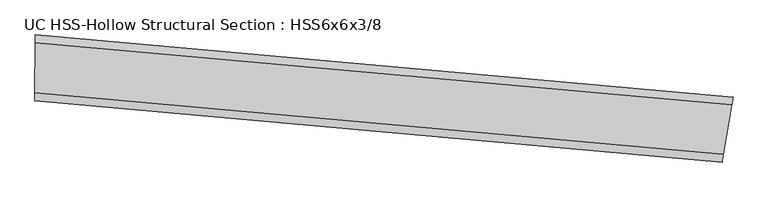
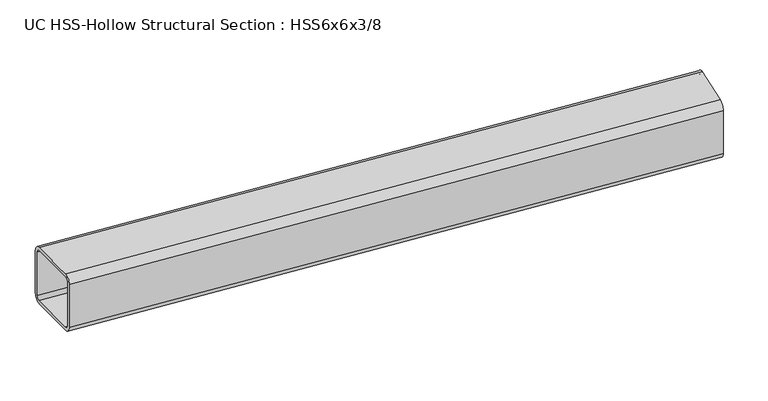
"""IFC4 building model written with IfcOpenShell, lengths in millimetres: beam geometry, UC HSS-Hollow Structural Section : HSS6x6x3/8."""

import ifcopenshell
import ifcopenshell.guid

model = None  # the IFC model being written
_history = None  # IfcOwnerHistory: only IFC2X3 demands one
_inside = {}  # id of a spatial element -> (the spatial element, [elements in it])
_under = {}  # id of a project, library or spatial element -> (it, [spatial elements below it])
_declared = {}  # id of a project -> (the project, [libraries it declares])
_typed = {}  # id of a type object -> (the type object, [elements of that type])
_made_of = {}  # id of a material, layer set ... -> (it, [elements and type objects made of it])


def new_model(schema):
    """Start an empty IFC model of exactly this schema.

    Asked for "IFC4X3", IfcOpenShell would pick the latest addendum, in which some entities
    have other attributes; the version numbers below select the first issue.
    IFC2X3 requires an IfcOwnerHistory on every rooted entity: one is made here for all.
    """
    global model, _history
    if schema == "IFC4X3":
        model = ifcopenshell.file(schema_version=(4, 3, 0, 0))
    else:
        model = ifcopenshell.file(schema=schema)
    _inside.clear()
    _under.clear()
    _declared.clear()
    _typed.clear()
    _made_of.clear()
    _history = None
    if model.schema == "IFC2X3":
        org = make("IfcOrganization", Name="unknown")
        user = make(
            "IfcPersonAndOrganization",
            ThePerson=make("IfcPerson", FamilyName="unknown"),
            TheOrganization=org,
        )
        app = make(
            "IfcApplication",
            ApplicationDeveloper=org,
            Version="unknown",
            ApplicationFullName="unknown",
            ApplicationIdentifier="unknown",
        )
        _history = make(
            "IfcOwnerHistory",
            OwningUser=user,
            OwningApplication=app,
            ChangeAction="ADDED",
            CreationDate=0,
        )
    return model


def make(cls, **values):
    """One entity of the class cls with the attributes given. An attribute that is None is left unset."""
    return model.create_entity(
        cls, **{name: value for name, value in values.items() if value is not None}
    )


def rooted(cls, **values):
    """An entity with a GlobalId (a new one), such as an element, a storey or a relation."""
    return make(cls, GlobalId=ifcopenshell.guid.new(), OwnerHistory=_history, **values)


def si_unit(unit_type, name, prefix=None):
    """IfcSIUnit, for example si_unit("LENGTHUNIT", "METRE", prefix="MILLI")."""
    return make("IfcSIUnit", UnitType=unit_type, Prefix=prefix, Name=name)


def assignment(units):
    """IfcUnitAssignment: the units of a project."""
    return None if units is None else make("IfcUnitAssignment", Units=units)


def point(xyz):
    """IfcCartesianPoint."""
    return None if xyz is None else make("IfcCartesianPoint", Coordinates=xyz)


def direction(xyz):
    """IfcDirection."""
    return None if xyz is None else make("IfcDirection", DirectionRatios=xyz)


def frame(location, z_axis=None, x_axis=None):
    """IfcAxis2Placement3D, a coordinate frame: its origin and axes. An axis left out is left unset."""
    return make(
        "IfcAxis2Placement3D",
        Location=point(location),
        Axis=direction(z_axis),
        RefDirection=direction(x_axis),
    )


def origin():
    """The frame at (0, 0, 0) with its axes left unset."""
    return frame((0.0, 0.0, 0.0))


def place(relative_to, where):
    """IfcLocalPlacement: puts the frame where relative to a parent placement (None: the world)."""
    return make(
        "IfcLocalPlacement", PlacementRelTo=relative_to, RelativePlacement=where
    )


def context(
    kind, dimensions, precision=None, world=None, true_north=None, identifier=None
):
    """IfcGeometricRepresentationContext, for example the 3D "Model" context."""
    return make(
        "IfcGeometricRepresentationContext",
        ContextIdentifier=identifier,
        ContextType=kind,
        CoordinateSpaceDimension=dimensions,
        Precision=precision,
        WorldCoordinateSystem=world,
        TrueNorth=true_north,
    )


def project(units=None, contexts=None):
    """IfcProject with its units and contexts."""
    return rooted(
        "IfcProject",
        Name="project",
        RepresentationContexts=contexts,
        UnitsInContext=assignment(units),
    )


def spatial(cls, under=None, at=None, **own):
    """A site, building, storey or space (cls), placed at a placement, below another one or the project."""
    s = rooted(cls, ObjectPlacement=at, **own)
    if under is not None:
        _under.setdefault(under.id(), (under, []))[1].append(s)
    return s


def polyline(points):
    """IfcPolyline through the points."""
    return make("IfcPolyline", Points=[point(p) for p in points])


def circle_curve(where, radius):
    """IfcCircle in the frame where."""
    return make("IfcCircle", Position=where, Radius=radius)


def ellipse_curve(where, semi_axis1, semi_axis2):
    """IfcEllipse in the frame where."""
    return make(
        "IfcEllipse", Position=where, SemiAxis1=semi_axis1, SemiAxis2=semi_axis2
    )


def trimmed(basis, trim1, trim2, sense, master):
    """IfcTrimmedCurve: the piece of a basis curve between two trims."""
    return make(
        "IfcTrimmedCurve",
        BasisCurve=basis,
        Trim1=trim1,
        Trim2=trim2,
        SenseAgreement=sense,
        MasterRepresentation=master,
    )


def shape(context_of_items, identifier, shape_type, items):
    """IfcShapeRepresentation: the items that make up one representation, for example the "Body"."""
    return make(
        "IfcShapeRepresentation",
        ContextOfItems=context_of_items,
        RepresentationIdentifier=identifier,
        RepresentationType=shape_type,
        Items=items,
    )


def source(mapping_origin, context_of_items, identifier, shape_type, items):
    """IfcRepresentationMap: a shape defined once, which mapped items show again and again."""
    return make(
        "IfcRepresentationMap",
        MappingOrigin=mapping_origin,
        MappedRepresentation=shape(context_of_items, identifier, shape_type, items),
    )


def transform(
    local_origin,
    x_axis=None,
    y_axis=None,
    z_axis=None,
    scale=None,
    scale2=None,
    scale3=None,
    uniform=True,
):
    """IfcCartesianTransformationOperator3D, or its non-uniform kind. x_axis, y_axis, z_axis: its Axis1, 2, 3."""
    if uniform:
        return make(
            "IfcCartesianTransformationOperator3D",
            Axis1=direction(x_axis),
            Axis2=direction(y_axis),
            LocalOrigin=point(local_origin),
            Scale=scale,
            Axis3=direction(z_axis),
        )
    return make(
        "IfcCartesianTransformationOperator3DnonUniform",
        Axis1=direction(x_axis),
        Axis2=direction(y_axis),
        LocalOrigin=point(local_origin),
        Scale=scale,
        Axis3=direction(z_axis),
        Scale2=scale2,
        Scale3=scale3,
    )


def mapped(mapping_source, mapping_target):
    """IfcMappedItem: shows the shape of a source again, moved by a transform."""
    return make(
        "IfcMappedItem", MappingSource=mapping_source, MappingTarget=mapping_target
    )


def made_of(thing, what):
    """Note that an element or type object is made of a material, layer set ...; save() writes the relation."""
    if what is not None:
        _made_of.setdefault(what.id(), (what, []))[1].append(thing)
    return thing


def element(
    cls,
    number,
    at=None,
    inside=None,
    cuts=None,
    type_object=None,
    material=None,
    context=None,
    identifier="Body",
    shape_type=None,
    held_by="IfcProductDefinitionShape",
    body=None,
    shapes=None,
    **own,
):
    """One element of the class cls, such as IfcWall. Its Tag is "e" and its number.

    at: its placement. inside: the storey or other place that contains it. cuts: it is an
    opening in that element (IfcRelVoidsElement). A single representation is given by context,
    identifier, shape_type and body (its items); several are given by shapes. held_by: the class
    of the entity that holds the representations. save() writes the other relations.
    """
    e = rooted(cls, Tag="e%d" % number, ObjectPlacement=at, **own)
    if body is not None:
        shapes = [shape(context, identifier, shape_type, body)]
    if shapes is not None:
        e.Representation = make(held_by, Representations=shapes)
    if inside is not None:
        _inside.setdefault(inside.id(), (inside, []))[1].append(e)
    if cuts is not None:
        rooted(
            "IfcRelVoidsElement", RelatingBuildingElement=cuts, RelatedOpeningElement=e
        )
    if type_object is not None:
        _typed.setdefault(type_object.id(), (type_object, []))[1].append(e)
    return made_of(e, material)


def aggregate(whole, parts):
    """IfcRelAggregates: a whole, such as a stair, and the parts it consists of."""
    return rooted("IfcRelAggregates", RelatingObject=whole, RelatedObjects=parts)


def save(model, path):
    """Write the relations noted so far, then the file.

    IfcRelAggregates (storeys below a building ...), IfcRelContainedInSpatialStructure (elements
    in a storey), IfcRelDefinesByType, IfcRelAssociatesMaterial and IfcRelDeclares: one each for
    every whole, place, type object, material and project.
    """
    for whole, parts in _under.values():
        aggregate(whole, parts)
    for where, things in _inside.values():
        rooted(
            "IfcRelContainedInSpatialStructure",
            RelatedElements=things,
            RelatingStructure=where,
        )
    for kind, things in _typed.values():
        rooted("IfcRelDefinesByType", RelatedObjects=things, RelatingType=kind)
    for what, things in _made_of.values():
        rooted("IfcRelAssociatesMaterial", RelatedObjects=things, RelatingMaterial=what)
    for by, libraries in _declared.values():
        rooted("IfcRelDeclares", RelatingContext=by, RelatedDefinitions=libraries)
    model.write(path)


def plane_surface(at):
    """IfcPlane: the flat surface through the origin of the frame at, square to its z axis."""
    return make("IfcPlane", Position=at)


def cylinder_surface(at, radius):
    """IfcCylindricalSurface: all points at the distance radius from the z axis of the frame at."""
    return make("IfcCylindricalSurface", Position=at, Radius=radius)


def revolved_surface(curve, axis_point, axis_direction):
    """IfcSurfaceOfRevolution: the curve turned about the line through axis_point along axis_direction."""
    return make(
        "IfcSurfaceOfRevolution",
        SweptCurve=make("IfcArbitraryOpenProfileDef", ProfileType="CURVE", Curve=curve),
        AxisPosition=make("IfcAxis1Placement", Location=point(axis_point), Axis=direction(axis_direction)),
    )


def advanced_brep(points, edges, surfaces, faces):
    """IfcAdvancedBrep: a solid bounded by faces that lie on surfaces and meet in shared edges.

    An edge is (start, end): straight between two places in points (the first is 0);
    or (start, end, curve); or (start, end, curve, False) where it runs against its curve.
    A face is (place in surfaces, loops), or (place, loops, False) where it looks against
    its surface's normal. A loop lists edges by number (the first is 1), with a minus sign
    where the edge is run from its end to its start. The first loop is the outer one.
    """
    corners = [point(p) for p in points]
    vertices = [make("IfcVertexPoint", VertexGeometry=c) for c in corners]
    made = []
    for start, end, *more in edges:
        made.append(
            make(
                "IfcEdgeCurve",
                EdgeStart=vertices[start],
                EdgeEnd=vertices[end],
                EdgeGeometry=more[0] if more else make("IfcPolyline", Points=[corners[start], corners[end]]),
                SameSense=more[1] if len(more) > 1 else True,
            )
        )
    hull = []
    for where, loops, *sense in faces:
        bounds = []
        for j, loop in enumerate(loops):
            ring = [make("IfcOrientedEdge", EdgeElement=made[abs(k) - 1], Orientation=k > 0) for k in loop]
            bounds.append(
                make(
                    "IfcFaceOuterBound" if j == 0 else "IfcFaceBound",
                    Bound=make("IfcEdgeLoop", EdgeList=ring),
                    Orientation=True,
                )
            )
        hull.append(make("IfcAdvancedFace", Bounds=bounds, FaceSurface=surfaces[where], SameSense=sense[0] if sense else True))
    return make("IfcAdvancedBrep", Outer=make("IfcClosedShell", CfsFaces=hull))


def uc_hss_hollow_structural_section_hss6x6x3_8_962efc7e(model_context):
    return source(origin(), model_context, "Body", "AdvancedBrep", [
        advanced_brep(
        [(1707.9246519, -68.9289654, 58.4708), (1704.9332143, -86.4039713, 76.2), (1685.2017263, -201.6689105, 76.2), (1682.2102887, -219.1439165, 58.4708), (1682.2102887, -219.1439165, -58.4708), (1685.2017263, -201.6689105, -76.2), (1704.9332143, -86.4039713, -76.2), (1707.9246519, -68.9289654, -58.4708), (1685.2017263, -201.6689105, 67.3354), (1704.9332143, -86.4039713, 67.3354), (1706.4289331, -77.6664684, 58.4708), (1706.4289331, -77.6664684, -58.4708), (1704.9332143, -86.4039713, -67.3354), (1685.2017263, -201.6689105, -67.3354), (1683.7060075, -210.4064135, -58.4708), (1683.7060075, -210.4064135, 58.4708), (88.9126593, 75.809494, 58.4708), (88.9126593, 75.809494, -58.4708), (88.7569284, 58.080978, -76.2), (87.7297291, -58.8561105, -76.2), (87.5739982, -76.5846265, -58.4708), (87.5739982, -76.5846265, 58.4708), (87.7297291, -58.8561105, 76.2), (88.7569284, 58.080978, 76.2), (87.7297291, -58.8561105, 67.3354), (87.6518636, -67.7203685, 58.4708), (87.6518636, -67.7203685, -58.4708), (87.7297291, -58.8561105, -67.3354), (88.7569284, 58.080978, -67.3354), (88.8347939, 66.945236, -58.4708), (88.8347939, 66.945236, 58.4708), (88.7569284, 58.080978, 67.3354)],
        [
            (0, 1, circle_curve(frame((1704.9332143, -86.4039713, 58.4708), z_axis=(0.9856624086409548, -0.16872941709171901, 0.0), x_axis=(-0.16872941709171901, -0.9856624086409548, 0.0)), 17.7292)),
            (1, 2),
            (2, 3, circle_curve(frame((1685.2017263, -201.6689105, 58.4708), z_axis=(0.9856624086409548, -0.16872941709171901, 0.0), x_axis=(-0.16872941709171901, -0.9856624086409548, 0.0)), 17.7292)),
            (3, 4),
            (4, 5, circle_curve(frame((1685.2017263, -201.6689105, -58.4708), z_axis=(0.9856624086409548, -0.16872941709171901, 0.0), x_axis=(-0.16872941709171901, -0.9856624086409548, 0.0)), 17.7292)),
            (5, 6),
            (6, 7, circle_curve(frame((1704.9332143, -86.4039713, -58.4708), z_axis=(0.9856624086409548, -0.16872941709171901, 0.0), x_axis=(-0.16872941709171901, -0.9856624086409548, 0.0)), 17.7292)),
            (7, 0),
            (8, 9),
            (9, 10, circle_curve(frame((1704.9332143, -86.4039713, 58.4708), z_axis=(-0.9856624086409548, 0.16872941709171901, 0.0), x_axis=(-0.16872941709171901, -0.9856624086409548, 0.0)), 8.8646)),
            (10, 11),
            (11, 12, circle_curve(frame((1704.9332143, -86.4039713, -58.4708), z_axis=(-0.9856624086409548, 0.16872941709171901, 0.0), x_axis=(-0.16872941709171901, -0.9856624086409548, 0.0)), 8.8646)),
            (12, 13),
            (13, 14, circle_curve(frame((1685.2017263, -201.6689105, -58.4708), z_axis=(-0.9856624086409548, 0.16872941709171901, 0.0), x_axis=(-0.16872941709171901, -0.9856624086409548, 0.0)), 8.8646)),
            (14, 15),
            (15, 8, circle_curve(frame((1685.2017263, -201.6689105, 58.4708), z_axis=(-0.9856624086409548, 0.16872941709171901, 0.0), x_axis=(-0.16872941709171901, -0.9856624086409548, 0.0)), 8.8646)),
            (16, 17),
            (17, 18, circle_curve(frame((88.7569284, 58.080978, -58.4708), z_axis=(-0.9999614211053971, 0.008783865941303093, 0.0), x_axis=(-0.008783865941303093, -0.9999614211053971, 0.0)), 17.7292)),
            (18, 19),
            (19, 20, circle_curve(frame((87.7297291, -58.8561105, -58.4708), z_axis=(-0.9999614211053971, 0.008783865941303093, 0.0), x_axis=(-0.008783865941303093, -0.9999614211053971, 0.0)), 17.7292)),
            (20, 21),
            (21, 22, circle_curve(frame((87.7297291, -58.8561105, 58.4708), z_axis=(-0.9999614211053971, 0.008783865941303093, 0.0), x_axis=(-0.008783865941303093, -0.9999614211053971, 0.0)), 17.7292)),
            (22, 23),
            (23, 16, circle_curve(frame((88.7569284, 58.080978, 58.4708), z_axis=(-0.9999614211053971, 0.008783865941303093, 0.0), x_axis=(-0.008783865941303093, -0.9999614211053971, 0.0)), 17.7292)),
            (24, 25, circle_curve(frame((87.7297291, -58.8561105, 58.4708), z_axis=(0.9999614211053971, -0.008783865941303093, 0.0), x_axis=(-0.008783865941303093, -0.9999614211053971, 0.0)), 8.8646)),
            (25, 26),
            (26, 27, circle_curve(frame((87.7297291, -58.8561105, -58.4708), z_axis=(0.9999614211053971, -0.008783865941303093, 0.0), x_axis=(-0.008783865941303093, -0.9999614211053971, 0.0)), 8.8646)),
            (27, 28),
            (28, 29, circle_curve(frame((88.7569284, 58.080978, -58.4708), z_axis=(0.9999614211053971, -0.008783865941303093, 0.0), x_axis=(-0.008783865941303093, -0.9999614211053971, 0.0)), 8.8646)),
            (29, 30),
            (30, 31, circle_curve(frame((88.7569284, 58.080978, 58.4708), z_axis=(0.9999614211053971, -0.008783865941303093, 0.0), x_axis=(-0.008783865941303093, -0.9999614211053971, 0.0)), 8.8646)),
            (31, 24),
            (0, 16, circle_curve(frame((0.0, -10046.0696155, 58.4708), z_axis=(0.0, 0.0, 1.0), x_axis=(-0.5140973030583534, -0.8577318712675468, 0.0)), 10122.2696155)),
            (23, 1, circle_curve(frame((0.0, -10046.0696155, 76.2), z_axis=(0.0, 0.0, -1.0), x_axis=(-0.5140973030583534, -0.8577318712675468, 0.0)), 10104.5404155)),
            (22, 2, circle_curve(frame((0.0, -10046.0696155, 76.2), z_axis=(0.0, 0.0, -1.0), x_axis=(-0.5140973030583534, -0.8577318712675468, 0.0)), 9987.5988155)),
            (21, 3, circle_curve(frame((0.0, -10046.0696155, 58.4708), z_axis=(0.0, 0.0, -1.0), x_axis=(-0.5140973030583534, -0.8577318712675468, 0.0)), 9969.8696155)),
            (20, 4, circle_curve(frame((0.0, -10046.0696155, -58.4708), z_axis=(0.0, 0.0, -1.0), x_axis=(-0.5140973030583534, -0.8577318712675468, 0.0)), 9969.8696155)),
            (19, 5, circle_curve(frame((0.0, -10046.0696155, -76.2), z_axis=(0.0, 0.0, -1.0), x_axis=(-0.5140973030583534, -0.8577318712675468, 0.0)), 9987.5988155)),
            (18, 6, circle_curve(frame((0.0, -10046.0696155, -76.2), z_axis=(0.0, 0.0, -1.0), x_axis=(-0.5140973030583534, -0.8577318712675468, 0.0)), 10104.5404155)),
            (17, 7, circle_curve(frame((0.0, -10046.0696155, -58.4708), z_axis=(0.0, 0.0, -1.0), x_axis=(-0.5140973030583534, -0.8577318712675468, 0.0)), 10122.2696155)),
            (8, 24, circle_curve(frame((0.0, -10046.0696155, 67.3354), z_axis=(0.0, 0.0, 1.0), x_axis=(-0.5140973030583534, -0.8577318712675468, 0.0)), 9987.5988155)),
            (31, 9, circle_curve(frame((0.0, -10046.0696155, 67.3354), z_axis=(0.0, 0.0, -1.0), x_axis=(-0.5140973030583534, -0.8577318712675468, 0.0)), 10104.5404155)),
            (30, 10, circle_curve(frame((0.0, -10046.0696155, 58.4708), z_axis=(0.0, 0.0, -1.0), x_axis=(-0.5140973030583534, -0.8577318712675468, 0.0)), 10113.4050155)),
            (29, 11, circle_curve(frame((0.0, -10046.0696155, -58.4708), z_axis=(0.0, 0.0, -1.0), x_axis=(-0.5140973030583534, -0.8577318712675468, 0.0)), 10113.4050155)),
            (28, 12, circle_curve(frame((0.0, -10046.0696155, -67.3354), z_axis=(0.0, 0.0, -1.0), x_axis=(-0.5140973030583534, -0.8577318712675468, 0.0)), 10104.5404155)),
            (27, 13, circle_curve(frame((0.0, -10046.0696155, -67.3354), z_axis=(0.0, 0.0, -1.0), x_axis=(-0.5140973030583534, -0.8577318712675468, 0.0)), 9987.5988155)),
            (26, 14, circle_curve(frame((0.0, -10046.0696155, -58.4708), z_axis=(0.0, 0.0, -1.0), x_axis=(-0.5140973030583534, -0.8577318712675468, 0.0)), 9978.7342155)),
            (25, 15, circle_curve(frame((0.0, -10046.0696155, 58.4708), z_axis=(0.0, 0.0, -1.0), x_axis=(-0.5140973030583534, -0.8577318712675468, 0.0)), 9978.7342155)),
        ],
        [
            plane_surface(frame((1695.0674703, -144.0364409, 0.0), z_axis=(0.9856624086409538, -0.16872941709172534, 0.0), x_axis=(0.0, 0.0, 1.0))),
            plane_surface(frame((88.2433287, -0.3875663, 0.0), z_axis=(-0.999961421105397, 0.008783865941309477, 0.0), x_axis=(0.0, 0.0, 1.0))),
            revolved_surface(trimmed(ellipse_curve(frame((-5194.7169763, -18713.0559744, 58.4708), z_axis=(0.8577318712675501, -0.5140973030583479, 0.0), x_axis=(0.5140973030583479, 0.8577318712675501, 0.0)), 17.7292, 17.7292), [point((-5194.7169763, -18713.0559744, 76.2))], [point((-5203.8315102, -18728.2628743, 58.4708))], True, "CARTESIAN"), (0.0, -10046.0696155, 0.0), (0.0, 0.0, -1.0)),
            plane_surface(frame((0.0, -10046.0696155, 76.2), z_axis=(0.0, 0.0, 1.0), x_axis=(-0.5140973030583534, -0.8577318712675468, 0.0))),
            revolved_surface(trimmed(ellipse_curve(frame((-5134.5976151, -18612.7514371, 58.4708), z_axis=(0.8577318712675501, -0.5140973030583479, 0.0), x_axis=(0.5140973030583479, 0.8577318712675501, 0.0)), 17.7292, 17.7292), [point((-5125.4830812, -18597.5445372, 58.4708))], [point((-5134.5976151, -18612.7514371, 76.2))], True, "CARTESIAN"), (0.0, -10046.0696155, 0.0), (0.0, 0.0, -1.0)),
            revolved_surface(polyline([(-5125.483081171973, -18597.544537096273, -58.4708), (-5125.483081171973, -18597.544537096273, 58.4708)]), (0.0, -10046.0696155, 0.0), (0.0, 0.0, -1.0)),
            revolved_surface(trimmed(ellipse_curve(frame((-5134.5976151, -18612.7514371, -58.4708), z_axis=(0.8577318712675501, -0.5140973030583479, 0.0), x_axis=(0.5140973030583479, 0.8577318712675501, 0.0)), 17.7292, 17.7292), [point((-5134.5976151, -18612.7514371, -76.2))], [point((-5125.4830812, -18597.5445372, -58.4708))], True, "CARTESIAN"), (0.0, -10046.0696155, 0.0), (0.0, 0.0, -1.0)),
            plane_surface(frame((0.0, -10046.0696155, -76.2), z_axis=(0.0, 0.0, -1.0), x_axis=(-0.5140973030583534, -0.8577318712675468, 0.0))),
            revolved_surface(trimmed(ellipse_curve(frame((-5194.7169763, -18713.0559744, -58.4708), z_axis=(0.8577318712675501, -0.5140973030583479, 0.0), x_axis=(0.5140973030583479, 0.8577318712675501, 0.0)), 17.7292, 17.7292), [point((-5203.8315102, -18728.2628743, -58.4708))], [point((-5194.7169763, -18713.0559744, -76.2))], True, "CARTESIAN"), (0.0, -10046.0696155, 0.0), (0.0, 0.0, -1.0)),
            cylinder_surface(frame((0.0, -10046.0696155, 0.0), z_axis=(0.0, 0.0, -1.0), x_axis=(-0.5140973030583534, -0.8577318712675468, 0.0)), 10122.2696155),
            plane_surface(frame((0.0, -10046.0696155, 67.3354), z_axis=(0.0, 0.0, -1.0), x_axis=(-0.5140973030583534, -0.8577318712675468, 0.0))),
            revolved_surface(trimmed(ellipse_curve(frame((-5194.7169763, -18713.0559744, 58.4708), z_axis=(-0.8577318712675501, 0.5140973030583479, 0.0), x_axis=(0.5140973030583479, 0.8577318712675501, 0.0)), 8.8646, 8.8646), [point((-5199.2742432, -18720.6594244, 58.4708))], [point((-5194.7169763, -18713.0559744, 67.3354))], True, "CARTESIAN"), (0.0, -10046.0696155, 0.0), (0.0, 0.0, -1.0)),
            revolved_surface(polyline([(-5199.274243205376, -18720.65942433141, -58.4708), (-5199.274243205376, -18720.65942433141, 58.4708)]), (0.0, -10046.0696155, 0.0), (0.0, 0.0, -1.0)),
            revolved_surface(trimmed(ellipse_curve(frame((-5194.7169763, -18713.0559744, -58.4708), z_axis=(-0.8577318712675501, 0.5140973030583479, 0.0), x_axis=(0.5140973030583479, 0.8577318712675501, 0.0)), 8.8646, 8.8646), [point((-5194.7169763, -18713.0559744, -67.3354))], [point((-5199.2742432, -18720.6594244, -58.4708))], True, "CARTESIAN"), (0.0, -10046.0696155, 0.0), (0.0, 0.0, -1.0)),
            plane_surface(frame((0.0, -10046.0696155, -67.3354), z_axis=(0.0, 0.0, 1.0), x_axis=(-0.5140973030583534, -0.8577318712675468, 0.0))),
            revolved_surface(trimmed(ellipse_curve(frame((-5134.5976151, -18612.7514371, -58.4708), z_axis=(-0.8577318712675501, 0.5140973030583479, 0.0), x_axis=(0.5140973030583479, 0.8577318712675501, 0.0)), 8.8646, 8.8646), [point((-5130.0403481, -18605.1479871, -58.4708))], [point((-5134.5976151, -18612.7514371, -67.3354))], True, "CARTESIAN"), (0.0, -10046.0696155, 0.0), (0.0, 0.0, -1.0)),
            cylinder_surface(frame((0.0, -10046.0696155, 0.0), z_axis=(0.0, 0.0, -1.0), x_axis=(-0.5140973030583534, -0.8577318712675468, 0.0)), 9978.7342155),
            revolved_surface(trimmed(ellipse_curve(frame((-5134.5976151, -18612.7514371, 58.4708), z_axis=(-0.8577318712675501, 0.5140973030583479, 0.0), x_axis=(0.5140973030583479, 0.8577318712675501, 0.0)), 8.8646, 8.8646), [point((-5134.5976151, -18612.7514371, 67.3354))], [point((-5130.0403481, -18605.1479871, 58.4708))], True, "CARTESIAN"), (0.0, -10046.0696155, 0.0), (0.0, 0.0, -1.0)),
        ],
        [
            (0, [[1, 2, 3, 4, 5, 6, 7, 8], [9, 10, 11, 12, 13, 14, 15, 16]]),
            (1, [[17, 18, 19, 20, 21, 22, 23, 24], [25, 26, 27, 28, 29, 30, 31, 32]]),
            (2, [[-1, 33, -24, 34]]),
            (3, [[-2, -34, -23, 35]]),
            (4, [[-3, -35, -22, 36]]),
            (5, [[-4, -36, -21, 37]]),
            (6, [[-5, -37, -20, 38]]),
            (7, [[-6, -38, -19, 39]]),
            (8, [[-7, -39, -18, 40]]),
            (9, [[-8, -40, -17, -33]]),
            (10, [[-9, 41, -32, 42]]),
            (11, [[-10, -42, -31, 43]]),
            (12, [[-11, -43, -30, 44]]),
            (13, [[-12, -44, -29, 45]]),
            (14, [[-13, -45, -28, 46]]),
            (15, [[-14, -46, -27, 47]]),
            (16, [[-15, -47, -26, 48]]),
            (17, [[-16, -48, -25, -41]]),
        ],
    ),
    ])


if __name__ == "__main__":
    model = new_model("IFC4")
    model_context = context("Model", 3, world=origin())
    ifc_project = project(units=[si_unit("LENGTHUNIT", "METRE", prefix="MILLI")], contexts=[model_context])
    site = spatial("IfcSite", under=ifc_project)
    building = spatial("IfcBuilding", under=site)
    placement = place(None, origin())
    uc_hss_hollow_structural_section_hss6x6x3_8_shape = uc_hss_hollow_structural_section_hss6x6x3_8_962efc7e(model_context)
    element("IfcBeam", 1, ObjectType="UC HSS-Hollow Structural Section : HSS6x6x3/8", at=placement, inside=building, context=model_context, shape_type="MappedRepresentation", body=[
        mapped(uc_hss_hollow_structural_section_hss6x6x3_8_shape, transform((0.0, 0.0, 0.0), x_axis=(1.0, 0.0, 0.0), y_axis=(0.0, 1.0, 0.0), z_axis=(0.0, 0.0, 1.0))),
    ])
    save(model, "model.ifc")
